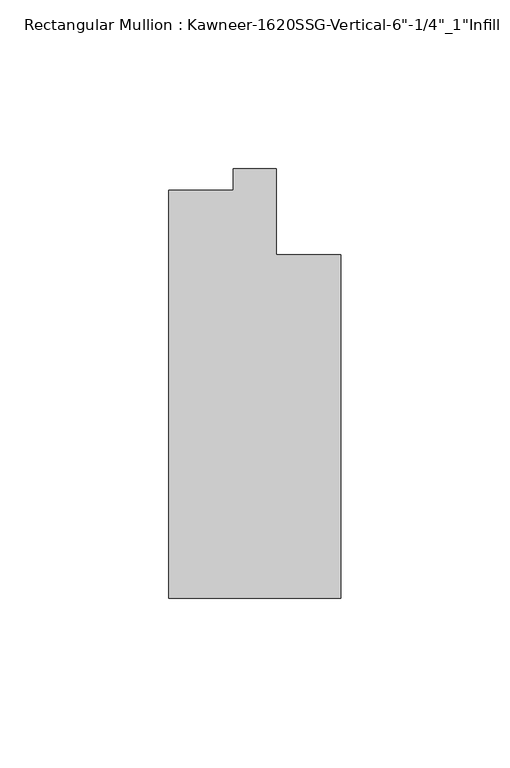
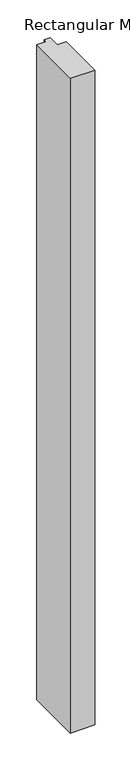
"""IFC4 building model written with IfcOpenShell, lengths in millimetres: member geometry."""

import ifcopenshell
import ifcopenshell.guid

model = None  # the IFC model being written
_history = None  # IfcOwnerHistory: only IFC2X3 demands one
_inside = {}  # id of a spatial element -> (the spatial element, [elements in it])
_under = {}  # id of a project, library or spatial element -> (it, [spatial elements below it])
_declared = {}  # id of a project -> (the project, [libraries it declares])
_typed = {}  # id of a type object -> (the type object, [elements of that type])
_made_of = {}  # id of a material, layer set ... -> (it, [elements and type objects made of it])


def new_model(schema):
    """Start an empty IFC model of exactly this schema.

    Asked for "IFC4X3", IfcOpenShell would pick the latest addendum, in which some entities
    have other attributes; the version numbers below select the first issue.
    IFC2X3 requires an IfcOwnerHistory on every rooted entity: one is made here for all.
    """
    global model, _history
    if schema == "IFC4X3":
        model = ifcopenshell.file(schema_version=(4, 3, 0, 0))
    else:
        model = ifcopenshell.file(schema=schema)
    _inside.clear()
    _under.clear()
    _declared.clear()
    _typed.clear()
    _made_of.clear()
    _history = None
    if model.schema == "IFC2X3":
        org = make("IfcOrganization", Name="unknown")
        user = make(
            "IfcPersonAndOrganization",
            ThePerson=make("IfcPerson", FamilyName="unknown"),
            TheOrganization=org,
        )
        app = make(
            "IfcApplication",
            ApplicationDeveloper=org,
            Version="unknown",
            ApplicationFullName="unknown",
            ApplicationIdentifier="unknown",
        )
        _history = make(
            "IfcOwnerHistory",
            OwningUser=user,
            OwningApplication=app,
            ChangeAction="ADDED",
            CreationDate=0,
        )
    return model


def make(cls, **values):
    """One entity of the class cls with the attributes given. An attribute that is None is left unset."""
    return model.create_entity(
        cls, **{name: value for name, value in values.items() if value is not None}
    )


def rooted(cls, **values):
    """An entity with a GlobalId (a new one), such as an element, a storey or a relation."""
    return make(cls, GlobalId=ifcopenshell.guid.new(), OwnerHistory=_history, **values)


def si_unit(unit_type, name, prefix=None):
    """IfcSIUnit, for example si_unit("LENGTHUNIT", "METRE", prefix="MILLI")."""
    return make("IfcSIUnit", UnitType=unit_type, Prefix=prefix, Name=name)


def assignment(units):
    """IfcUnitAssignment: the units of a project."""
    return None if units is None else make("IfcUnitAssignment", Units=units)


def point(xyz):
    """IfcCartesianPoint."""
    return None if xyz is None else make("IfcCartesianPoint", Coordinates=xyz)


def direction(xyz):
    """IfcDirection."""
    return None if xyz is None else make("IfcDirection", DirectionRatios=xyz)


def frame(location, z_axis=None, x_axis=None):
    """IfcAxis2Placement3D, a coordinate frame: its origin and axes. An axis left out is left unset."""
    return make(
        "IfcAxis2Placement3D",
        Location=point(location),
        Axis=direction(z_axis),
        RefDirection=direction(x_axis),
    )


def origin():
    """The frame at (0, 0, 0) with its axes left unset."""
    return frame((0.0, 0.0, 0.0))


def place(relative_to, where):
    """IfcLocalPlacement: puts the frame where relative to a parent placement (None: the world)."""
    return make(
        "IfcLocalPlacement", PlacementRelTo=relative_to, RelativePlacement=where
    )


def context(
    kind, dimensions, precision=None, world=None, true_north=None, identifier=None
):
    """IfcGeometricRepresentationContext, for example the 3D "Model" context."""
    return make(
        "IfcGeometricRepresentationContext",
        ContextIdentifier=identifier,
        ContextType=kind,
        CoordinateSpaceDimension=dimensions,
        Precision=precision,
        WorldCoordinateSystem=world,
        TrueNorth=true_north,
    )


def project(units=None, contexts=None):
    """IfcProject with its units and contexts."""
    return rooted(
        "IfcProject",
        Name="project",
        RepresentationContexts=contexts,
        UnitsInContext=assignment(units),
    )


def spatial(cls, under=None, at=None, **own):
    """A site, building, storey or space (cls), placed at a placement, below another one or the project."""
    s = rooted(cls, ObjectPlacement=at, **own)
    if under is not None:
        _under.setdefault(under.id(), (under, []))[1].append(s)
    return s


def polyline(points):
    """IfcPolyline through the points."""
    return make("IfcPolyline", Points=[point(p) for p in points])


def outline(outer, holes=None, kind="AREA"):
    """IfcArbitraryClosedProfileDef: a profile drawn as a closed curve; with holes, ...WithVoids."""
    if holes is None:
        return make("IfcArbitraryClosedProfileDef", ProfileType=kind, OuterCurve=outer)
    return make(
        "IfcArbitraryProfileDefWithVoids",
        ProfileType=kind,
        OuterCurve=outer,
        InnerCurves=holes,
    )


def extrude(swept, where, along, depth):
    """IfcExtrudedAreaSolid: the profile swept, set in the frame where, extruded along a direction by depth."""
    return make(
        "IfcExtrudedAreaSolid",
        SweptArea=swept,
        Position=where,
        ExtrudedDirection=direction(along),
        Depth=depth,
    )


def shape(context_of_items, identifier, shape_type, items):
    """IfcShapeRepresentation: the items that make up one representation, for example the "Body"."""
    return make(
        "IfcShapeRepresentation",
        ContextOfItems=context_of_items,
        RepresentationIdentifier=identifier,
        RepresentationType=shape_type,
        Items=items,
    )


def source(mapping_origin, context_of_items, identifier, shape_type, items):
    """IfcRepresentationMap: a shape defined once, which mapped items show again and again."""
    return make(
        "IfcRepresentationMap",
        MappingOrigin=mapping_origin,
        MappedRepresentation=shape(context_of_items, identifier, shape_type, items),
    )


def transform(
    local_origin,
    x_axis=None,
    y_axis=None,
    z_axis=None,
    scale=None,
    scale2=None,
    scale3=None,
    uniform=True,
):
    """IfcCartesianTransformationOperator3D, or its non-uniform kind. x_axis, y_axis, z_axis: its Axis1, 2, 3."""
    if uniform:
        return make(
            "IfcCartesianTransformationOperator3D",
            Axis1=direction(x_axis),
            Axis2=direction(y_axis),
            LocalOrigin=point(local_origin),
            Scale=scale,
            Axis3=direction(z_axis),
        )
    return make(
        "IfcCartesianTransformationOperator3DnonUniform",
        Axis1=direction(x_axis),
        Axis2=direction(y_axis),
        LocalOrigin=point(local_origin),
        Scale=scale,
        Axis3=direction(z_axis),
        Scale2=scale2,
        Scale3=scale3,
    )


def mapped(mapping_source, mapping_target):
    """IfcMappedItem: shows the shape of a source again, moved by a transform."""
    return make(
        "IfcMappedItem", MappingSource=mapping_source, MappingTarget=mapping_target
    )


def made_of(thing, what):
    """Note that an element or type object is made of a material, layer set ...; save() writes the relation."""
    if what is not None:
        _made_of.setdefault(what.id(), (what, []))[1].append(thing)
    return thing


def element(
    cls,
    number,
    at=None,
    inside=None,
    cuts=None,
    type_object=None,
    material=None,
    context=None,
    identifier="Body",
    shape_type=None,
    held_by="IfcProductDefinitionShape",
    body=None,
    shapes=None,
    **own,
):
    """One element of the class cls, such as IfcWall. Its Tag is "e" and its number.

    at: its placement. inside: the storey or other place that contains it. cuts: it is an
    opening in that element (IfcRelVoidsElement). A single representation is given by context,
    identifier, shape_type and body (its items); several are given by shapes. held_by: the class
    of the entity that holds the representations. save() writes the other relations.
    """
    e = rooted(cls, Tag="e%d" % number, ObjectPlacement=at, **own)
    if body is not None:
        shapes = [shape(context, identifier, shape_type, body)]
    if shapes is not None:
        e.Representation = make(held_by, Representations=shapes)
    if inside is not None:
        _inside.setdefault(inside.id(), (inside, []))[1].append(e)
    if cuts is not None:
        rooted(
            "IfcRelVoidsElement", RelatingBuildingElement=cuts, RelatedOpeningElement=e
        )
    if type_object is not None:
        _typed.setdefault(type_object.id(), (type_object, []))[1].append(e)
    return made_of(e, material)


def aggregate(whole, parts):
    """IfcRelAggregates: a whole, such as a stair, and the parts it consists of."""
    return rooted("IfcRelAggregates", RelatingObject=whole, RelatedObjects=parts)


def save(model, path):
    """Write the relations noted so far, then the file.

    IfcRelAggregates (storeys below a building ...), IfcRelContainedInSpatialStructure (elements
    in a storey), IfcRelDefinesByType, IfcRelAssociatesMaterial and IfcRelDeclares: one each for
    every whole, place, type object, material and project.
    """
    for whole, parts in _under.values():
        aggregate(whole, parts)
    for where, things in _inside.values():
        rooted(
            "IfcRelContainedInSpatialStructure",
            RelatedElements=things,
            RelatingStructure=where,
        )
    for kind, things in _typed.values():
        rooted("IfcRelDefinesByType", RelatedObjects=things, RelatingType=kind)
    for what, things in _made_of.values():
        rooted("IfcRelAssociatesMaterial", RelatedObjects=things, RelatingMaterial=what)
    for by, libraries in _declared.values():
        rooted("IfcRelDeclares", RelatingContext=by, RelatedDefinitions=libraries)
    model.write(path)


def member_730660f4(model_context):
    return source(origin(), model_context, "Body", "SweptSolid", [
        extrude(outline(polyline([(25.4, -123.825), (-25.4, -123.825), (-25.4, -3.175), (-6.35, -3.175), (-6.35, 3.175), (6.35, 3.175), (6.35, -22.225), (25.4, -22.225), (25.4, -123.825)])), frame((0.0, 0.0, -1435.1), z_axis=(0.0, 0.0, 1.0), x_axis=(1.0, 0.0, 0.0)), (0.0, 0.0, 1.0), 1435.1),
    ])


if __name__ == "__main__":
    model = new_model("IFC4")
    model_context = context("Model", 3, world=origin())
    ifc_project = project(units=[si_unit("LENGTHUNIT", "METRE", prefix="MILLI")], contexts=[model_context])
    site = spatial("IfcSite", under=ifc_project)
    building = spatial("IfcBuilding", under=site)
    placement = place(None, origin())
    member_shape = member_730660f4(model_context)
    element("IfcMember", 1, ObjectType="Rectangular Mullion : Kawneer-1620SSG-Vertical-6\"-1/4\"_1\"Infill", at=placement, inside=building, context=model_context, shape_type="MappedRepresentation", body=[
        mapped(member_shape, transform((0.0, 0.0, 0.0), x_axis=(1.0, 0.0, 0.0), y_axis=(0.0, 1.0, 0.0), z_axis=(0.0, 0.0, 1.0))),
    ])
    save(model, "model.ifc")
